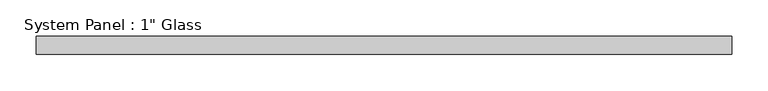
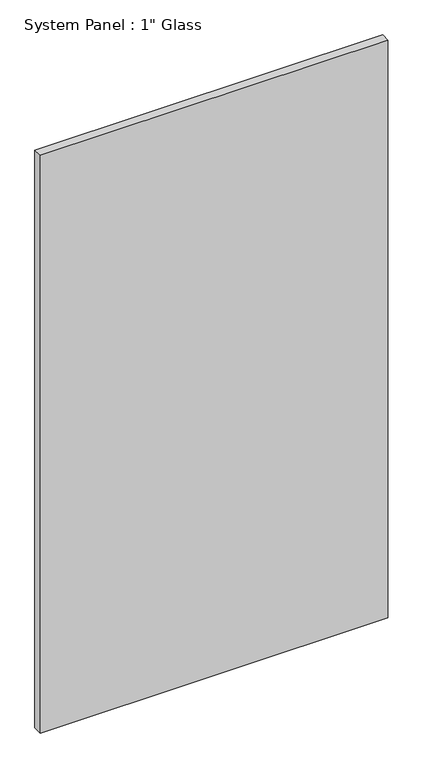
"""IFC4 building model written with IfcOpenShell, lengths in millimetres: plate geometry."""

from ifc_helpers import new_model, si_unit, origin, origin_with_axes, place, context, project, spatial, polyline, outline, extrude, source, transform, mapped, element, save


def plate_5f46d39c(model_context):
    return source(origin(), model_context, "Body", "SweptSolid", [
        extrude(outline(polyline([(482.3538799, -12.7), (-482.3538799, -12.7), (-482.3538799, 12.7), (482.3538799, 12.7), (482.3538799, -12.7)])), origin_with_axes(), (0.0, 0.0, 1.0), 1695.45),
    ])


if __name__ == "__main__":
    model = new_model("IFC4")
    model_context = context("Model", 3, world=origin())
    ifc_project = project(units=[si_unit("LENGTHUNIT", "METRE", prefix="MILLI")], contexts=[model_context])
    site = spatial("IfcSite", under=ifc_project)
    building = spatial("IfcBuilding", under=site)
    placement = place(None, origin())
    plate_shape = plate_5f46d39c(model_context)
    element("IfcPlate", 1, ObjectType="System Panel : 1\" Glass", at=placement, inside=building, context=model_context, shape_type="MappedRepresentation", body=[
        mapped(plate_shape, transform((0.0, 0.0, 0.0), x_axis=(1.0, 0.0, 0.0), y_axis=(0.0, 1.0, 0.0), z_axis=(0.0, 0.0, 1.0))),
    ])
    save(model, "model.ifc")
